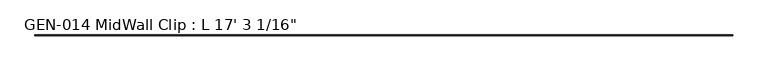
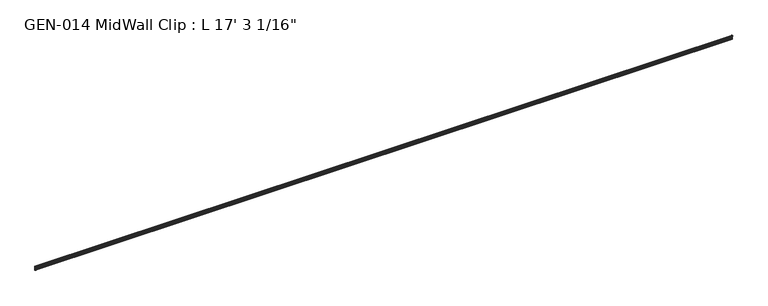
"""IFC4 building model written with IfcOpenShell, lengths in millimetres: proxy geometry."""

from ifc_helpers import new_model, si_unit, point, frame, frame_2d, origin, place, context, project, spatial, polyline, circle_curve, trimmed, segment, composite_curve, outline, extrude, source, transform, mapped, element, save


def proxy_ff8441f5(model_context):
    return source(origin(), model_context, "Body", "SweptSolid", [
        extrude(outline(composite_curve([segment(polyline([(2.1386113, 32.1158903), (3.9735584, 32.6885982)]), True, "CONTINUOUS"), segment(trimmed(circle_curve(frame_2d((4.1838513, 32.2686835)), 0.4696291), [point((3.9735584, 32.6885982))], [point((4.6534804, 32.2686835))], False, "CARTESIAN"), True, "CONTINUOUS"), segment(polyline([(4.6534804, 32.2686835), (4.6534804, 30.7270734)]), True, "CONTINUOUS"), segment(trimmed(circle_curve(frame_2d((6.2409804, 30.7270734)), 1.5875), [point((4.6534804, 30.7270734))], [point((6.2409804, 29.1395734))], True, "CARTESIAN"), True, "CONTINUOUS"), segment(polyline([(6.2409804, 29.1395734), (7.5485426, 29.1395734), (7.5485426, 0.0), (4.055874, 0.0), (4.055874, 1.6102595)]), True, "CONTINUOUS"), segment(trimmed(circle_curve(frame_2d((4.0560426, 3.5152595)), 1.905), [point((4.055874, 1.6102595))], [point((5.9610426, 3.5152595))], True, "CARTESIAN"), True, "CONTINUOUS"), segment(polyline([(5.9610426, 3.5152595), (5.9610426, 4.6343152), (5.9610426, 12.4909614), (6.4702065, 13.408381), (6.4702065, 14.7485418), (5.9610426, 15.6659614), (5.9610426, 26.8535734)]), True, "CONTINUOUS"), segment(trimmed(circle_curve(frame_2d((5.4530426, 26.8535734)), 0.508), [point((5.9610426, 26.8535734))], [point((5.4361592, 27.3612928))], True, "CARTESIAN"), True, "CONTINUOUS"), segment(trimmed(circle_curve(frame_2d((5.4154804, 26.5995734)), 0.762), [point((5.4361592, 27.3612928))], [point((4.6764599, 26.4138515))], True, "CARTESIAN"), True, "CONTINUOUS"), segment(trimmed(circle_curve(frame_2d((4.1230664, 26.2747792)), 0.5706009), [point((4.6764599, 26.4138515))], [point((3.9349539, 25.7360779))], False, "CARTESIAN"), True, "CONTINUOUS"), segment(polyline([(3.9349539, 25.7360779), (2.1386113, 26.2967369)]), True, "CONTINUOUS"), segment(trimmed(circle_curve(frame_2d((3.0467234, 29.2063136)), 3.048), [point((2.1386113, 26.2967369))], [point((0.4447727, 30.7938136))], False, "CARTESIAN"), True, "CONTINUOUS"), segment(trimmed(circle_curve(frame_2d((3.0467234, 29.2063136)), 3.048), [point((0.4447727, 30.7938136))], [point((2.1386113, 32.1158903))], False, "CARTESIAN"), True, "CONTINUOUS")], self_intersect=False)), frame((-4954.5875, 0.0, 0.0), z_axis=(1.0, 0.0, 0.0), x_axis=(0.0, 1.0, 0.0)), (0.0, 0.0, 1.0), 5259.3875),
    ])


if __name__ == "__main__":
    model = new_model("IFC4")
    model_context = context("Model", 3, world=origin())
    ifc_project = project(units=[si_unit("LENGTHUNIT", "METRE", prefix="MILLI")], contexts=[model_context])
    site = spatial("IfcSite", under=ifc_project)
    building = spatial("IfcBuilding", under=site)
    placement = place(None, origin())
    proxy_shape = proxy_ff8441f5(model_context)
    element("IfcBuildingElementProxy", 1, Name="GEN-014 MidWall Clip : L 17' 3 1/16\"", ObjectType="GEN-014 MidWall Clip : L 17' 3 1/16\"", at=placement, inside=building, context=model_context, shape_type="MappedRepresentation", body=[
        mapped(proxy_shape, transform((0.0, 0.0, 0.0), x_axis=(1.0, 0.0, 0.0), y_axis=(0.0, 1.0, 0.0), z_axis=(0.0, 0.0, 1.0))),
    ])
    save(model, "model.ifc")
